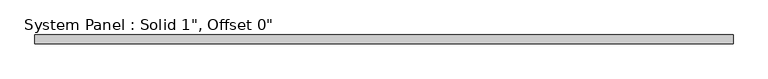
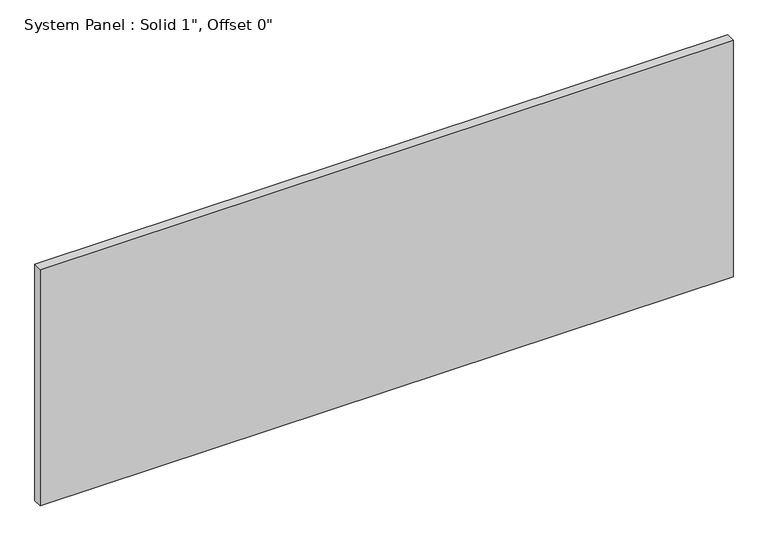
"""IFC4 building model written with IfcOpenShell, lengths in millimetres: plate geometry."""

from ifc_helpers import new_model, si_unit, origin, origin_with_axes, place, context, project, spatial, polyline, outline, extrude, source, transform, mapped, element, save


def plate_023ddffb(model_context):
    return source(origin(), model_context, "Body", "SweptSolid", [
        extrude(outline(polyline([(976.1660647, -12.7), (-976.1660647, -12.7), (-976.1660647, 12.7), (976.1660647, 12.7), (976.1660647, -12.7)])), origin_with_axes(), (0.0, 0.0, 1.0), 704.1820941),
    ])


if __name__ == "__main__":
    model = new_model("IFC4")
    model_context = context("Model", 3, world=origin())
    ifc_project = project(units=[si_unit("LENGTHUNIT", "METRE", prefix="MILLI")], contexts=[model_context])
    site = spatial("IfcSite", under=ifc_project)
    building = spatial("IfcBuilding", under=site)
    placement = place(None, origin())
    plate_shape = plate_023ddffb(model_context)
    element("IfcPlate", 1, ObjectType="System Panel : Solid 1\", Offset 0\"", at=placement, inside=building, context=model_context, shape_type="MappedRepresentation", body=[
        mapped(plate_shape, transform((0.0, 0.0, 0.0), x_axis=(1.0, 0.0, 0.0), y_axis=(0.0, 1.0, 0.0), z_axis=(0.0, 0.0, 1.0))),
    ])
    save(model, "model.ifc")
